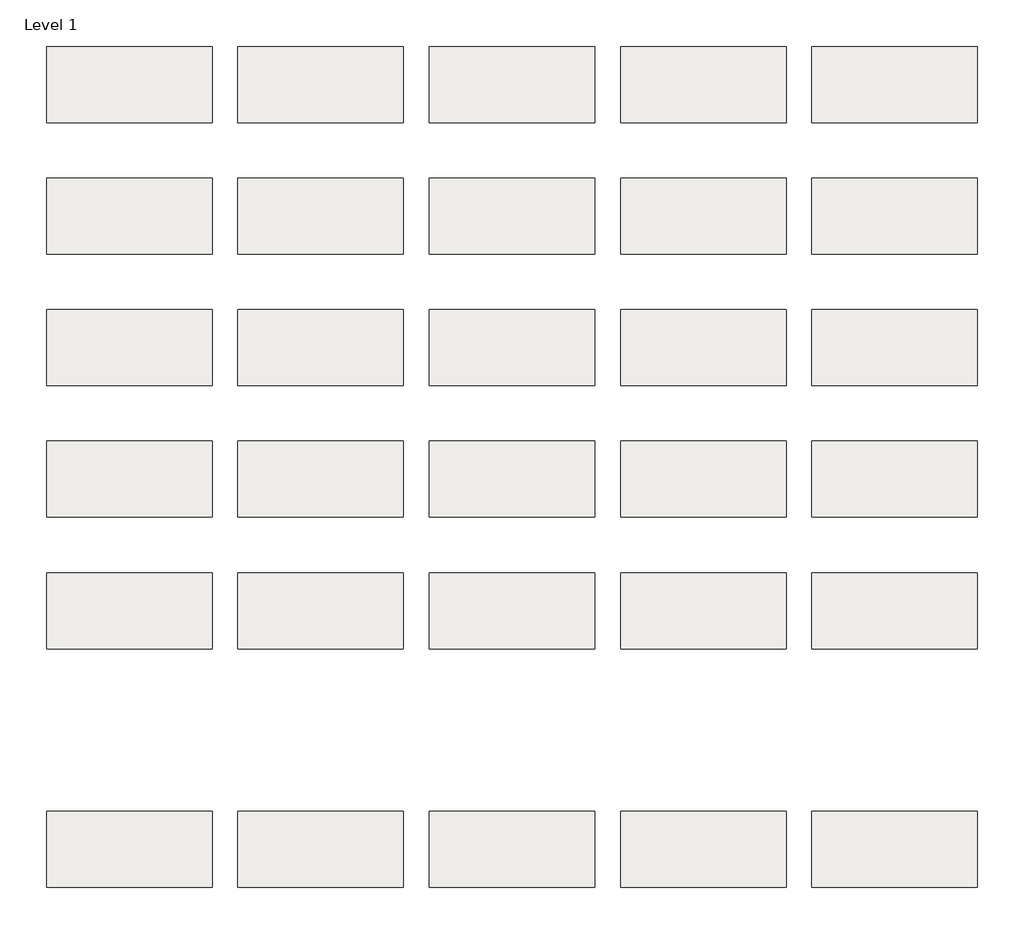
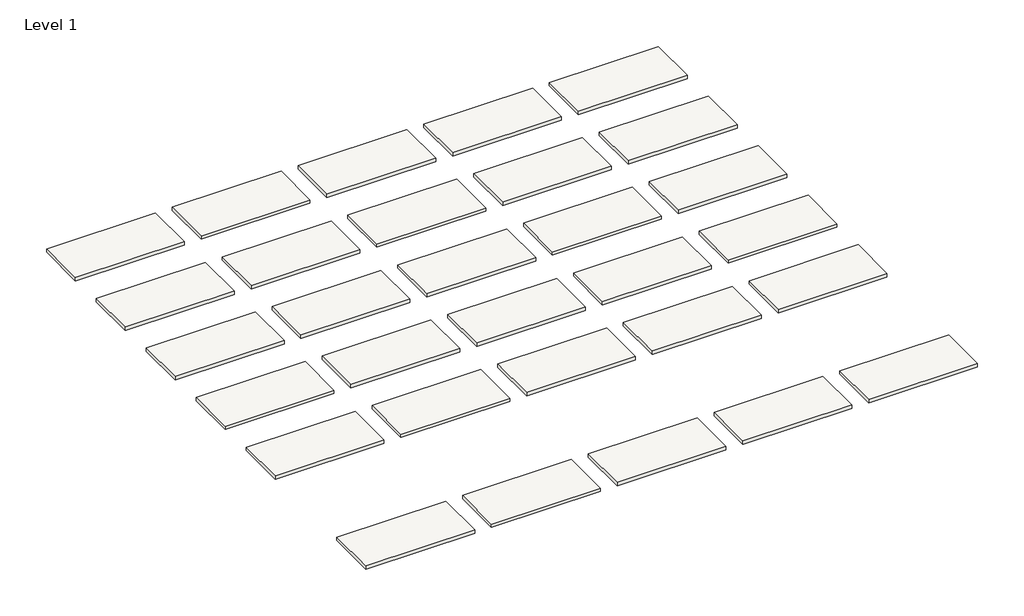
# One storey: 30 roofs.
"""IFC4 building model written with IfcOpenShell, lengths in millimetres."""

from ifc_helpers import new_model, si_unit, origin, origin_with_axes, place, context, project, spatial, polyline, outline, extrude, element, save

model = new_model("IFC4")

# Units and contexts
model_context = context("Model", 3, world=origin())
ifc_project = project(units=[si_unit("LENGTHUNIT", "METRE", prefix="MILLI")], contexts=[model_context])

# Site, building, storey
site = spatial("IfcSite", under=ifc_project)
building = spatial("IfcBuilding", under=site)
storey = spatial("IfcBuildingStorey", under=building, Name="Level 1", Elevation=0.0)

# Roofs
placement = place(None, origin())
element("IfcRoof", 1, at=placement, inside=storey, context=model_context, shape_type="SweptSolid", body=[
    extrude(outline(polyline([(-9725.8471173, -1370.5264682), (-6627.0471173, -1370.5264682), (-6627.0471173, -2792.9264682), (-9725.8471173, -2792.9264682), (-9725.8471173, -1370.5264682)])), origin_with_axes(), (0.0, 0.0, 1.0), 101.6),
])
element("IfcRoof", 2, at=placement, inside=storey, context=model_context, shape_type="SweptSolid", body=[
    extrude(outline(polyline([(-6144.4471173, -1370.5264682), (-3045.6471173, -1370.5264682), (-3045.6471173, -2792.9264682), (-6144.4471173, -2792.9264682), (-6144.4471173, -1370.5264682)])), origin_with_axes(), (0.0, 0.0, 1.0), 101.6),
])
element("IfcRoof", 3, at=placement, inside=storey, context=model_context, shape_type="SweptSolid", body=[
    extrude(outline(polyline([(-2563.0471173, -1370.5264682), (535.7528827, -1370.5264682), (535.7528827, -2792.9264682), (-2563.0471173, -2792.9264682), (-2563.0471173, -1370.5264682)])), origin_with_axes(), (0.0, 0.0, 1.0), 101.6),
])
element("IfcRoof", 4, at=placement, inside=storey, context=model_context, shape_type="SweptSolid", body=[
    extrude(outline(polyline([(1018.3528827, -1370.5264682), (4117.1528827, -1370.5264682), (4117.1528827, -2792.9264682), (1018.3528827, -2792.9264682), (1018.3528827, -1370.5264682)])), origin_with_axes(), (0.0, 0.0, 1.0), 101.6),
])
element("IfcRoof", 5, at=placement, inside=storey, context=model_context, shape_type="SweptSolid", body=[
    extrude(outline(polyline([(4599.7528827, -1370.5264682), (7698.5528827, -1370.5264682), (7698.5528827, -2792.9264682), (4599.7528827, -2792.9264682), (4599.7528827, -1370.5264682)])), origin_with_axes(), (0.0, 0.0, 1.0), 101.6),
])
element("IfcRoof", 6, at=placement, inside=storey, context=model_context, shape_type="SweptSolid", body=[
    extrude(outline(polyline([(-9725.8471173, 1093.2735318), (-6627.0471173, 1093.2735318), (-6627.0471173, -329.1264682), (-9725.8471173, -329.1264682), (-9725.8471173, 1093.2735318)])), origin_with_axes(), (0.0, 0.0, 1.0), 101.6),
])
element("IfcRoof", 7, at=placement, inside=storey, context=model_context, shape_type="SweptSolid", body=[
    extrude(outline(polyline([(-6144.4471173, 1093.2735318), (-3045.6471173, 1093.2735318), (-3045.6471173, -329.1264682), (-6144.4471173, -329.1264682), (-6144.4471173, 1093.2735318)])), origin_with_axes(), (0.0, 0.0, 1.0), 101.6),
])
element("IfcRoof", 8, at=placement, inside=storey, context=model_context, shape_type="SweptSolid", body=[
    extrude(outline(polyline([(-2563.0471173, 1093.2735318), (535.7528827, 1093.2735318), (535.7528827, -329.1264682), (-2563.0471173, -329.1264682), (-2563.0471173, 1093.2735318)])), origin_with_axes(), (0.0, 0.0, 1.0), 101.6),
])
element("IfcRoof", 9, at=placement, inside=storey, context=model_context, shape_type="SweptSolid", body=[
    extrude(outline(polyline([(1018.3528827, 1093.2735318), (4117.1528827, 1093.2735318), (4117.1528827, -329.1264682), (1018.3528827, -329.1264682), (1018.3528827, 1093.2735318)])), origin_with_axes(), (0.0, 0.0, 1.0), 101.6),
])
element("IfcRoof", 10, at=placement, inside=storey, context=model_context, shape_type="SweptSolid", body=[
    extrude(outline(polyline([(4599.7528827, 1093.2735318), (7698.5528827, 1093.2735318), (7698.5528827, -329.1264682), (4599.7528827, -329.1264682), (4599.7528827, 1093.2735318)])), origin_with_axes(), (0.0, 0.0, 1.0), 101.6),
])
element("IfcRoof", 11, at=placement, inside=storey, context=model_context, shape_type="SweptSolid", body=[
    extrude(outline(polyline([(-9725.8471173, 3557.0735318), (-6627.0471173, 3557.0735318), (-6627.0471173, 2134.6735318), (-9725.8471173, 2134.6735318), (-9725.8471173, 3557.0735318)])), origin_with_axes(), (0.0, 0.0, 1.0), 101.6),
])
element("IfcRoof", 12, at=placement, inside=storey, context=model_context, shape_type="SweptSolid", body=[
    extrude(outline(polyline([(-6144.4471173, 3557.0735318), (-3045.6471173, 3557.0735318), (-3045.6471173, 2134.6735318), (-6144.4471173, 2134.6735318), (-6144.4471173, 3557.0735318)])), origin_with_axes(), (0.0, 0.0, 1.0), 101.6),
])
element("IfcRoof", 13, at=placement, inside=storey, context=model_context, shape_type="SweptSolid", body=[
    extrude(outline(polyline([(-2563.0471173, 3557.0735318), (535.7528827, 3557.0735318), (535.7528827, 2134.6735318), (-2563.0471173, 2134.6735318), (-2563.0471173, 3557.0735318)])), origin_with_axes(), (0.0, 0.0, 1.0), 101.6),
])
element("IfcRoof", 14, at=placement, inside=storey, context=model_context, shape_type="SweptSolid", body=[
    extrude(outline(polyline([(1018.3528827, 3557.0735318), (4117.1528827, 3557.0735318), (4117.1528827, 2134.6735318), (1018.3528827, 2134.6735318), (1018.3528827, 3557.0735318)])), origin_with_axes(), (0.0, 0.0, 1.0), 101.6),
])
element("IfcRoof", 15, at=placement, inside=storey, context=model_context, shape_type="SweptSolid", body=[
    extrude(outline(polyline([(4599.7528827, 3557.0735318), (7698.5528827, 3557.0735318), (7698.5528827, 2134.6735318), (4599.7528827, 2134.6735318), (4599.7528827, 3557.0735318)])), origin_with_axes(), (0.0, 0.0, 1.0), 101.6),
])
element("IfcRoof", 16, at=placement, inside=storey, context=model_context, shape_type="SweptSolid", body=[
    extrude(outline(polyline([(-9725.8471173, 6020.8735318), (-6627.0471173, 6020.8735318), (-6627.0471173, 4598.4735318), (-9725.8471173, 4598.4735318), (-9725.8471173, 6020.8735318)])), origin_with_axes(), (0.0, 0.0, 1.0), 101.6),
])
element("IfcRoof", 17, at=placement, inside=storey, context=model_context, shape_type="SweptSolid", body=[
    extrude(outline(polyline([(-6144.4471173, 6020.8735318), (-3045.6471173, 6020.8735318), (-3045.6471173, 4598.4735318), (-6144.4471173, 4598.4735318), (-6144.4471173, 6020.8735318)])), origin_with_axes(), (0.0, 0.0, 1.0), 101.6),
])
element("IfcRoof", 18, at=placement, inside=storey, context=model_context, shape_type="SweptSolid", body=[
    extrude(outline(polyline([(-2563.0471173, 6020.8735318), (535.7528827, 6020.8735318), (535.7528827, 4598.4735318), (-2563.0471173, 4598.4735318), (-2563.0471173, 6020.8735318)])), origin_with_axes(), (0.0, 0.0, 1.0), 101.6),
])
element("IfcRoof", 19, at=placement, inside=storey, context=model_context, shape_type="SweptSolid", body=[
    extrude(outline(polyline([(1018.3528827, 6020.8735318), (4117.1528827, 6020.8735318), (4117.1528827, 4598.4735318), (1018.3528827, 4598.4735318), (1018.3528827, 6020.8735318)])), origin_with_axes(), (0.0, 0.0, 1.0), 101.6),
])
element("IfcRoof", 20, at=placement, inside=storey, context=model_context, shape_type="SweptSolid", body=[
    extrude(outline(polyline([(4599.7528827, 6020.8735318), (7698.5528827, 6020.8735318), (7698.5528827, 4598.4735318), (4599.7528827, 4598.4735318), (4599.7528827, 6020.8735318)])), origin_with_axes(), (0.0, 0.0, 1.0), 101.6),
])
element("IfcRoof", 21, at=placement, inside=storey, context=model_context, shape_type="SweptSolid", body=[
    extrude(outline(polyline([(-9725.8471173, 8484.6735318), (-6627.0471173, 8484.6735318), (-6627.0471173, 7062.2735318), (-9725.8471173, 7062.2735318), (-9725.8471173, 8484.6735318)])), origin_with_axes(), (0.0, 0.0, 1.0), 101.6),
])
element("IfcRoof", 22, at=placement, inside=storey, context=model_context, shape_type="SweptSolid", body=[
    extrude(outline(polyline([(-6144.4471173, 8484.6735318), (-3045.6471173, 8484.6735318), (-3045.6471173, 7062.2735318), (-6144.4471173, 7062.2735318), (-6144.4471173, 8484.6735318)])), origin_with_axes(), (0.0, 0.0, 1.0), 101.6),
])
element("IfcRoof", 23, at=placement, inside=storey, context=model_context, shape_type="SweptSolid", body=[
    extrude(outline(polyline([(-2563.0471173, 8484.6735318), (535.7528827, 8484.6735318), (535.7528827, 7062.2735318), (-2563.0471173, 7062.2735318), (-2563.0471173, 8484.6735318)])), origin_with_axes(), (0.0, 0.0, 1.0), 101.6),
])
element("IfcRoof", 24, at=placement, inside=storey, context=model_context, shape_type="SweptSolid", body=[
    extrude(outline(polyline([(1018.3528827, 8484.6735318), (4117.1528827, 8484.6735318), (4117.1528827, 7062.2735318), (1018.3528827, 7062.2735318), (1018.3528827, 8484.6735318)])), origin_with_axes(), (0.0, 0.0, 1.0), 101.6),
])
element("IfcRoof", 25, at=placement, inside=storey, context=model_context, shape_type="SweptSolid", body=[
    extrude(outline(polyline([(4599.7528827, 8484.6735318), (7698.5528827, 8484.6735318), (7698.5528827, 7062.2735318), (4599.7528827, 7062.2735318), (4599.7528827, 8484.6735318)])), origin_with_axes(), (0.0, 0.0, 1.0), 101.6),
])
element("IfcRoof", 26, at=placement, inside=storey, context=model_context, shape_type="SweptSolid", body=[
    extrude(outline(polyline([(-9725.8471173, -5840.9264682), (-6627.0471173, -5840.9264682), (-6627.0471173, -7263.3264682), (-9725.8471173, -7263.3264682), (-9725.8471173, -5840.9264682)])), origin_with_axes(), (0.0, 0.0, 1.0), 101.6),
])
element("IfcRoof", 27, at=placement, inside=storey, context=model_context, shape_type="SweptSolid", body=[
    extrude(outline(polyline([(-6144.4471173, -5840.9264682), (-3045.6471173, -5840.9264682), (-3045.6471173, -7263.3264682), (-6144.4471173, -7263.3264682), (-6144.4471173, -5840.9264682)])), origin_with_axes(), (0.0, 0.0, 1.0), 101.6),
])
element("IfcRoof", 28, at=placement, inside=storey, context=model_context, shape_type="SweptSolid", body=[
    extrude(outline(polyline([(-2563.0471173, -5840.9264682), (535.7528827, -5840.9264682), (535.7528827, -7263.3264682), (-2563.0471173, -7263.3264682), (-2563.0471173, -5840.9264682)])), origin_with_axes(), (0.0, 0.0, 1.0), 101.6),
])
element("IfcRoof", 29, at=placement, inside=storey, context=model_context, shape_type="SweptSolid", body=[
    extrude(outline(polyline([(1018.3528827, -5840.9264682), (4117.1528827, -5840.9264682), (4117.1528827, -7263.3264682), (1018.3528827, -7263.3264682), (1018.3528827, -5840.9264682)])), origin_with_axes(), (0.0, 0.0, 1.0), 101.6),
])
element("IfcRoof", 30, at=placement, inside=storey, context=model_context, shape_type="SweptSolid", body=[
    extrude(outline(polyline([(4599.7528827, -5840.9264682), (7698.5528827, -5840.9264682), (7698.5528827, -7263.3264682), (4599.7528827, -7263.3264682), (4599.7528827, -5840.9264682)])), origin_with_axes(), (0.0, 0.0, 1.0), 101.6),
])

save(model, "model.ifc")
